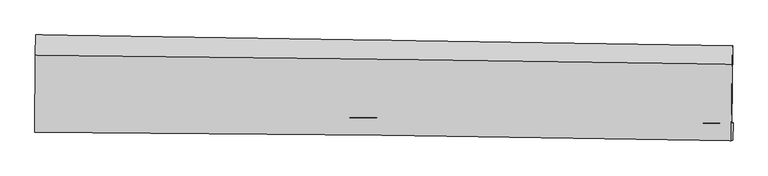
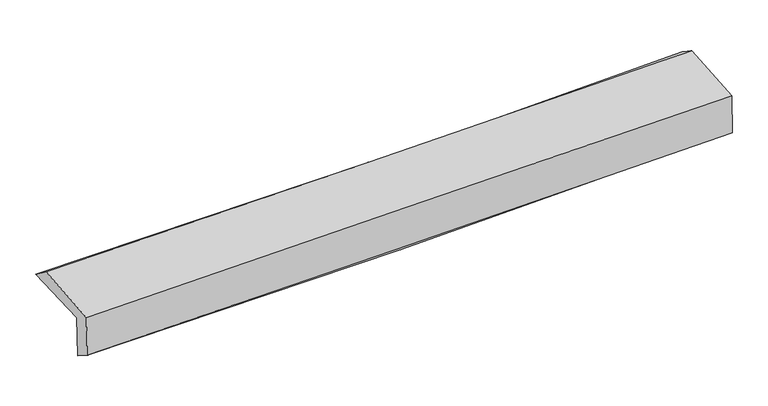
"""IFC4 building model written with IfcOpenShell, lengths in millimetres: proxy geometry."""

from ifc_helpers import new_model, si_unit, frame, origin, place, context, project, spatial, source, transform, mapped, element, save
from ifc_brep_helpers import plane_surface, spline_curve, spline_surface, advanced_brep


def generic_models_09f162ff(model_context):
    return source(origin(), model_context, "Body", "AdvancedBrep", [
        advanced_brep(
        [(-2999.6817211, -1755.8589928, 1963.2466042), (-2995.9999783, -1082.628486, 1986.8235257), (2986.0376888, -1174.4106478, 2141.5452514), (2978.3968624, -1841.0742542, 2129.1683378), (-2990.2700602, -1751.682748, 1585.5937093), (2988.4447633, -1836.2141951, 1722.7322043), (-2993.7810339, -1911.8730781, 1686.0113422), (2983.8489206, -1986.7939941, 1836.7009298), (-3003.1744419, -1916.0412235, 2062.9318198), (2974.6456145, -1991.3714537, 2208.9122695), (-3000.373102, -1258.7062138, 2117.8808767), (2981.4526261, -1333.5013707, 2250.9487852)],
        [
            (0, 1),
            (1, 2, spline_curve(3, [(-2995.9999783, -1082.628486, 1986.8235257), (-1998.393962394, -1098.492260472, 1982.848156517), (-1001.123916903, -1114.072127395, 1993.75193632), (992.888736297, -1144.666263724, 2045.321530863), (1989.63124641, -1159.680450703, 2085.99165971), (2986.0376888, -1174.4106478, 2141.5452514)], [4, 2, 4], [0.0, 9.814803867195538, 19.63103037051865])),
            (2, 3),
            (3, 0, spline_curve(3, [(2978.3968624, -1841.0742542, 2129.1683378), (1982.702770152, -1823.081098913, 2075.555550862), (986.646380651, -1806.982872251, 2034.922284992), (-1006.046585693, -1778.57833459, 1979.618802382), (-2002.683057036, -1766.271474056, 1964.944823726), (-2999.6817211, -1755.8589928, 1963.2466042)], [4, 2, 4], [0.0, 9.816226503323113, 19.63103037051865])),
            (4, 0),
            (3, 5),
            (5, 4, spline_curve(3, [(2988.4447633, -1836.2141951, 1722.7322043), (1992.861887134, -1817.51076323, 1665.554333037), (996.808073533, -1801.114416588, 1625.537604959), (-996.097004003, -1772.937936526, 1579.829747232), (-1992.948131718, -1761.157133751, 1574.133643612), (-2990.2700602, -1751.682748, 1585.5937093)], [4, 2, 4], [0.0, 9.813265371387054, 19.62510853579446])),
            (6, 4),
            (5, 7),
            (7, 6, spline_curve(3, [(2983.8489206, -1986.7939941, 1836.7009298), (1987.821669079, -1967.440816694, 1804.006246968), (991.636102917, -1951.520614654, 1775.100804624), (-1000.907261, -1926.547970882, 1724.872040192), (-1997.265013174, -1917.494534303, 1703.547620237), (-2993.7810339, -1911.8730781, 1686.0113422)], [4, 2, 4], [0.0, 9.81181779217014, 19.62221358715393])),
            (8, 6),
            (7, 9),
            (9, 8, spline_curve(3, [(2974.6456145, -1991.3714537, 2208.9122695), (1978.539677325, -1972.127244757, 2178.767738379), (982.298926969, -1956.227408561, 2151.529764436), (-1010.307797261, -1931.118301065, 2102.870457043), (-2006.673732831, -1921.908060581, 2081.448281159), (-3003.1744419, -1916.0412235, 2062.9318198)], [4, 2, 4], [0.0, 9.810615280392515, 19.619808737875086])),
            (10, 8),
            (9, 11),
            (11, 10, spline_curve(3, [(2981.4526261, -1333.5013707, 2250.9487852), (1984.651389413, -1317.443050132, 2218.408776775), (987.729160263, -1303.180638255, 2191.049351777), (-1006.212784194, -1278.249440078, 2146.694883936), (-2003.232464297, -1267.580132665, 2129.698339336), (-3000.373102, -1258.7062138, 2117.8808767)], [4, 2, 4], [0.0, 9.813708010828776, 19.625993750527506])),
            (1, 10),
            (11, 2),
        ],
        [
            spline_surface(3, 3, [[(-2999.6817211, -1755.8589928, 1963.2466042), (-2002.683057171, -1766.271473996, 1964.944823814), (-1006.046585598, -1778.578334466, 1979.618802372), (986.646380556, -1806.982872376, 2034.922285002), (1982.702770187, -1823.08109906, 2075.555550997), (2978.3968624, -1841.0742542, 2129.1683378)], [(-2998.454473489, -1531.448823859, 1971.105578026), (-2001.253358856, -1543.678402809, 1970.912601336), (-1004.40569599, -1557.076265461, 1984.329846976), (988.727165806, -1586.210669483, 2038.388700348), (1985.01226232, -1601.947549591, 2079.034253943), (2980.943804539, -1618.853052074, 2133.293975674)], [(-2997.227225911, -1307.038654941, 1978.964551874), (-1999.823660573, -1321.085331644, 1976.88037888), (-1002.764806451, -1335.57419644, 1989.040891561), (990.807950987, -1365.438466576, 2041.855115674), (1987.321754437, -1380.814000098, 2082.512956866), (2983.490746661, -1396.631849926, 2137.419613526)], [(-2995.9999783, -1082.628486, 1986.8235257), (-1998.393962258, -1098.492260458, 1982.848156402), (-1001.123916843, -1114.072127436, 1993.751936165), (992.888736237, -1144.666263683, 2045.321531019), (1989.63124657, -1159.680450629, 2085.991659811), (2986.0376888, -1174.4106478, 2141.5452514)]], [4, 4], [4, 2, 4], [0.0, 2.176995135215867], [0.0, 9.814803867195538, 19.63103037051865]),
            spline_surface(3, 3, [[(-2990.2700602, -1751.682748, 1585.5937093), (-1992.948131835, -1761.157133814, 1574.133643647), (-996.097004059, -1772.937936367, 1579.829747196), (996.808073588, -1801.114416747, 1625.537604995), (1992.861887004, -1817.510763194, 1665.554333118), (2988.4447633, -1836.2141951, 1722.7322043)], [(-2993.407280498, -1753.074829611, 1711.478007604), (-1996.193106945, -1762.861913885, 1704.40403704), (-999.413531252, -1774.818069086, 1713.092765588), (993.420842564, -1803.070568643, 1761.999164998), (1989.475514727, -1819.3675418, 1802.221405742), (2985.095462995, -1837.834214784, 1858.210915464)], [(-2996.544500802, -1754.466911189, 1837.362305896), (-1999.438082061, -1764.566693924, 1834.674430421), (-1002.730058405, -1776.698201747, 1846.35578398), (990.03361158, -1805.02672048, 1898.460725), (1986.089142464, -1821.224320455, 1938.888478373), (2981.746162705, -1839.454234516, 1993.689626636)], [(-2999.6817211, -1755.8589928, 1963.2466042), (-2002.683057171, -1766.271473996, 1964.944823814), (-1006.046585598, -1778.578334466, 1979.618802372), (986.646380556, -1806.982872376, 2034.922285002), (1982.702770187, -1823.08109906, 2075.555550997), (2978.3968624, -1841.0742542, 2129.1683378)]], [4, 4], [4, 2, 4], [0.0, 1.3279311470216284], [0.0, 9.811843164407406, 19.62510853579446]),
            spline_surface(3, 3, [[(-2993.7810339, -1911.8730781, 1686.0113422), (-1997.265013163, -1917.494534334, 1703.547620166), (-1000.907261066, -1926.547970931, 1724.872040266), (991.636102982, -1951.520614605, 1775.100804549), (1987.821669059, -1967.440816681, 1804.00624699), (2983.8489206, -1986.7939941, 1836.7009298)], [(-2992.610709329, -1858.476301396, 1652.538797898), (-1995.826052715, -1865.38206749, 1660.409627991), (-999.303842065, -1875.34462606, 1676.524609249), (993.360093183, -1901.385215304, 1725.246404705), (1989.501741703, -1917.4641322, 1757.855609031), (2985.380868163, -1936.600727782, 1798.711354632)], [(-2991.440384771, -1805.079524704, 1619.066253602), (-1994.387092282, -1813.269600658, 1617.271635822), (-997.70042306, -1824.141281237, 1628.177178213), (995.084083388, -1851.249816049, 1675.39200484), (1991.18181436, -1867.487447674, 1711.704971076), (2986.912815737, -1886.407461418, 1760.721779468)], [(-2990.2700602, -1751.682748, 1585.5937093), (-1992.948131835, -1761.157133814, 1574.133643647), (-996.097004059, -1772.937936367, 1579.829747196), (996.808073588, -1801.114416747, 1625.537604995), (1992.861887004, -1817.510763194, 1665.554333118), (2988.4447633, -1836.2141951, 1722.7322043)]], [4, 4], [4, 2, 4], [0.0, 0.6946515408803362], [0.0, 9.810395794983789, 19.62221358715393]),
            spline_surface(3, 3, [[(-3003.1744419, -1916.0412235, 2062.9318198), (-2006.673732715, -1921.908060554, 2081.448281056), (-1010.307797418, -1931.118301106, 2102.87045699), (982.298927126, -1956.227408519, 2151.529764489), (1978.539677287, -1972.127244721, 2178.767738425), (2974.6456145, -1991.3714537, 2208.9122695)], [(-3000.043305905, -1914.651841682, 1937.291660624), (-2003.537492869, -1920.436885129, 1955.481394117), (-1007.174285306, -1929.594857724, 1976.870984756), (985.411319073, -1954.658477225, 2026.053444517), (1981.633674531, -1970.565102031, 2053.847241285), (2977.713383187, -1989.845633823, 2084.841822939)], [(-2996.912169895, -1913.262459918, 1811.651501376), (-2000.401253009, -1918.965709758, 1829.514507105), (-1004.040773178, -1928.071414312, 1850.8715125), (988.523711035, -1953.0895459, 1900.577124522), (1984.727671815, -1969.002959371, 1928.926744129), (2980.781151913, -1988.319813977, 1960.771376361)], [(-2993.7810339, -1911.8730781, 1686.0113422), (-1997.265013163, -1917.494534334, 1703.547620166), (-1000.907261066, -1926.547970931, 1724.872040266), (991.636102982, -1951.520614605, 1775.100804549), (1987.821669059, -1967.440816681, 1804.00624699), (2983.8489206, -1986.7939941, 1836.7009298)]], [4, 4], [4, 2, 4], [0.0, 1.2380525391171395], [0.0, 9.809193457482571, 19.619808737875086]),
            spline_surface(3, 3, [[(-3000.373102, -1258.7062138, 2117.8808767), (-2003.232464451, -1267.580132618, 2129.698339178), (-1006.212784184, -1278.249439942, 2146.694883869), (987.729160254, -1303.18063839, 2191.049351844), (1984.651389346, -1317.443050042, 2218.408776696), (2981.4526261, -1333.5013707, 2250.9487852)], [(-3001.306881949, -1477.817883713, 2099.564524379), (-2004.379553854, -1485.689441943, 2113.61498645), (-1007.577788576, -1495.872393646, 2132.086741567), (985.919082564, -1520.862895083, 2177.876156049), (1982.614152012, -1535.671114943, 2205.195097288), (2979.183622252, -1552.791398374, 2236.936613316)], [(-3002.240661951, -1696.929553587, 2081.248172121), (-2005.526643312, -1703.798751228, 2097.531633785), (-1008.942793027, -1713.495347402, 2117.478599292), (984.109004816, -1738.545151827, 2164.702960283), (1980.576914621, -1753.899179821, 2191.981417833), (2976.914618348, -1772.081426026, 2222.924441384)], [(-3003.1744419, -1916.0412235, 2062.9318198), (-2006.673732715, -1921.908060554, 2081.448281056), (-1010.307797418, -1931.118301106, 2102.87045699), (982.298927126, -1956.227408519, 2151.529764489), (1978.539677287, -1972.127244721, 2178.767738425), (2974.6456145, -1991.3714537, 2208.9122695)]], [4, 4], [4, 2, 4], [0.0, 2.14666520020231], [0.0, 9.81228573969873, 19.625993750527506]),
            spline_surface(3, 3, [[(-2995.9999783, -1082.628486, 1986.8235257), (-1998.393962258, -1098.492260458, 1982.848156402), (-1001.123916843, -1114.072127436, 1993.751936165), (992.888736237, -1144.666263683, 2045.321531019), (1989.63124657, -1159.680450629, 2085.991659811), (2986.0376888, -1174.4106478, 2141.5452514)], [(-2997.45768623, -1141.321061938, 2030.509309369), (-2000.006796353, -1154.854884516, 2031.798217329), (-1002.82020598, -1168.79789827, 2044.732918721), (991.168877553, -1197.504388584, 2093.897471282), (1987.971294159, -1212.267983763, 2130.130698748), (2984.509334564, -1227.440888762, 2178.013095975)], [(-2998.91539407, -1200.013637862, 2074.195093031), (-2001.619630356, -1211.217508559, 2080.748278251), (-1004.516495047, -1223.523669108, 2095.713901312), (989.449018938, -1250.342513489, 2142.47341158), (1986.311341756, -1264.855516909, 2174.269737759), (2982.980980336, -1280.471129738, 2214.480940625)], [(-3000.373102, -1258.7062138, 2117.8808767), (-2003.232464451, -1267.580132618, 2129.698339178), (-1006.212784184, -1278.249439942, 2146.694883869), (987.729160254, -1303.18063839, 2191.049351844), (1984.651389346, -1317.443050042, 2218.408776696), (2981.4526261, -1333.5013707, 2250.9487852)]], [4, 4], [4, 2, 4], [0.0, 0.7214827817781089], [0.0, 9.81653488905521, 19.63449266514614]),
            plane_surface(frame((2982.1377459, -1693.8943193, 2048.3346297), z_axis=(0.9996271188977556, -0.011913177250441645, 0.024570294503167903), x_axis=(0.024716599912740795, 0.0122933256311581, -0.9996189093017799))),
            plane_surface(frame((-2997.2133896, -1612.798457, 1900.4146463), z_axis=(-0.9996712751989062, 0.0063369951638027, -0.024843188895283464), x_axis=(-0.00546533794316518, -0.9993724171204248, -0.034998599686939406))),
        ],
        [
            (0, [[1, 2, 3, 4]]),
            (1, [[5, -4, 6, 7]]),
            (2, [[8, -7, 9, 10]]),
            (3, [[11, -10, 12, 13]]),
            (4, [[14, -13, 15, 16]]),
            (5, [[17, -16, 18, -2]]),
            (6, [[-12, -9, -6, -3, -18, -15]]),
            (7, [[-1, -5, -8, -11, -14, -17]]),
        ],
    ),
    ])


if __name__ == "__main__":
    model = new_model("IFC4")
    model_context = context("Model", 3, world=origin())
    ifc_project = project(units=[si_unit("LENGTHUNIT", "METRE", prefix="MILLI")], contexts=[model_context])
    site = spatial("IfcSite", under=ifc_project)
    building = spatial("IfcBuilding", under=site)
    placement = place(None, origin())
    generic_models_shape = generic_models_09f162ff(model_context)
    element("IfcBuildingElementProxy", 1, Name="Generic Models", at=placement, inside=building, context=model_context, shape_type="MappedRepresentation", body=[
        mapped(generic_models_shape, transform((0.0, 0.0, 0.0), x_axis=(1.0, 0.0, 0.0), y_axis=(0.0, 1.0, 0.0), z_axis=(0.0, 0.0, 1.0))),
    ])
    save(model, "model.ifc")
